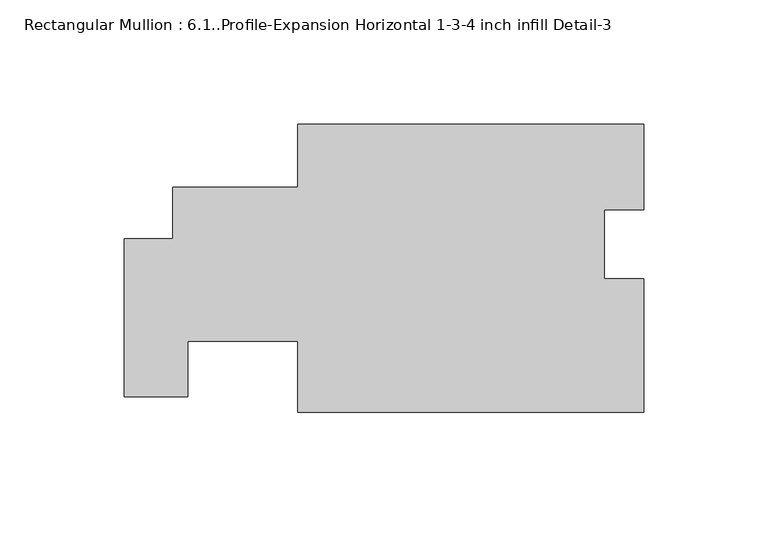
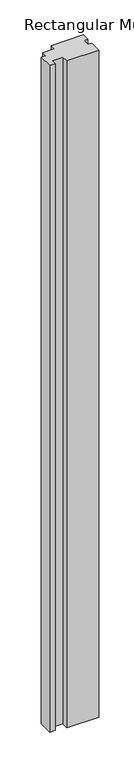
"""IFC4 building model written with IfcOpenShell, lengths in millimetres: member geometry, Rectangular Mullion : 6.1..Profile-Expansion Horizontal 1-3-4 inch infill Detail-3."""

from ifc_helpers import new_model, si_unit, frame, origin, place, context, project, spatial, polyline, outline, extrude, source, transform, mapped, element, save


def rectangular_mullion_6_1_profile_expansion_horizontal_1_3_4_3dd639fa(model_context):
    return source(origin(), model_context, "Body", "SweptSolid", [
        extrude(outline(polyline([(0.0, -67.5173713), (-139.1919944, -67.5173713), (-139.1919944, -38.9424874), (-183.5893375, -38.9424874), (-183.5893375, -61.1673742), (-209.042, -61.1673742), (-209.042, 2.3326258), (-189.6085051, 2.3326258), (-189.6085051, 22.9935486), (-139.192, 22.9935486), (-139.192, 48.3934351), (0.0, 48.3934351), (0.0, 13.9023245), (-15.8984045, 13.9023245), (-15.8984045, -13.8707878), (0.0, -13.8707878), (0.0, -67.5173713)])), frame((0.0, 0.0, -3048.0), z_axis=(0.0, 0.0, 1.0), x_axis=(1.0, 0.0, 0.0)), (0.0, 0.0, 1.0), 3048.0),
    ])


if __name__ == "__main__":
    model = new_model("IFC4")
    model_context = context("Model", 3, world=origin())
    ifc_project = project(units=[si_unit("LENGTHUNIT", "METRE", prefix="MILLI")], contexts=[model_context])
    site = spatial("IfcSite", under=ifc_project)
    building = spatial("IfcBuilding", under=site)
    placement = place(None, origin())
    rectangular_mullion_6_1_profile_expansion_horizontal_1_3_4_shape = rectangular_mullion_6_1_profile_expansion_horizontal_1_3_4_3dd639fa(model_context)
    element("IfcMember", 1, ObjectType="Rectangular Mullion : 6.1..Profile-Expansion Horizontal 1-3-4 inch infill Detail-3", at=placement, inside=building, context=model_context, shape_type="MappedRepresentation", body=[
        mapped(rectangular_mullion_6_1_profile_expansion_horizontal_1_3_4_shape, transform((0.0, 0.0, 0.0), x_axis=(1.0, 0.0, 0.0), y_axis=(0.0, 1.0, 0.0), z_axis=(0.0, 0.0, 1.0))),
    ])
    save(model, "model.ifc")
